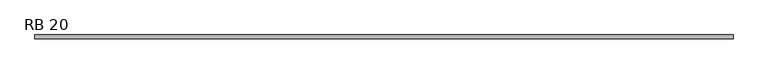
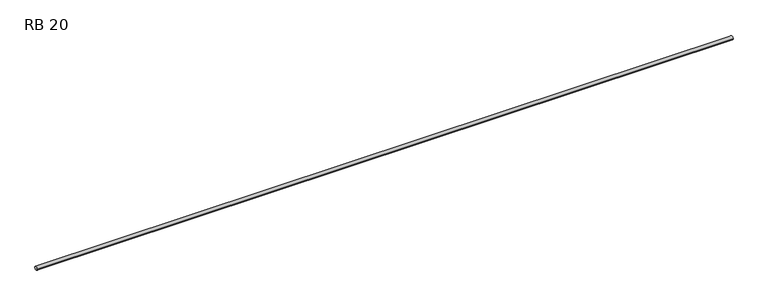
"""IFC4 building model written with IfcOpenShell, lengths in millimetres: beam geometry, RB 20."""

from ifc_helpers import new_model, si_unit, point, frame, origin, origin_2d, place, context, project, spatial, circle_curve, trimmed, segment, composite_curve, outline, extrude, source, transform, mapped, element, save


def rb_20_b70facb6(model_context):
    return source(origin(), model_context, "Body", "SweptSolid", [
        extrude(outline(composite_curve([segment(trimmed(circle_curve(origin_2d(), 10.0), [point((10.0, 0.0))], [point((-10.0, 0.0))], False, "CARTESIAN"), True, "CONTINUOUS"), segment(trimmed(circle_curve(origin_2d(), 10.0), [point((-10.0, 0.0))], [point((10.0, 0.0))], False, "CARTESIAN"), True, "CONTINUOUS")], self_intersect=False)), frame((-1896.45, 0.0, 0.0), z_axis=(1.0, 0.0, 0.0), x_axis=(0.0, 1.0, 0.0)), (0.0, 0.0, 1.0), 3772.9),
    ])


if __name__ == "__main__":
    model = new_model("IFC4")
    model_context = context("Model", 3, world=origin())
    ifc_project = project(units=[si_unit("LENGTHUNIT", "METRE", prefix="MILLI")], contexts=[model_context])
    site = spatial("IfcSite", under=ifc_project)
    building = spatial("IfcBuilding", under=site)
    placement = place(None, origin())
    rb_20_shape = rb_20_b70facb6(model_context)
    element("IfcBeam", 1, ObjectType="RB 20", at=placement, inside=building, context=model_context, shape_type="MappedRepresentation", body=[
        mapped(rb_20_shape, transform((0.0, 0.0, 0.0), x_axis=(1.0, 0.0, 0.0), y_axis=(0.0, 1.0, 0.0), z_axis=(0.0, 0.0, 1.0))),
    ])
    save(model, "model.ifc")
